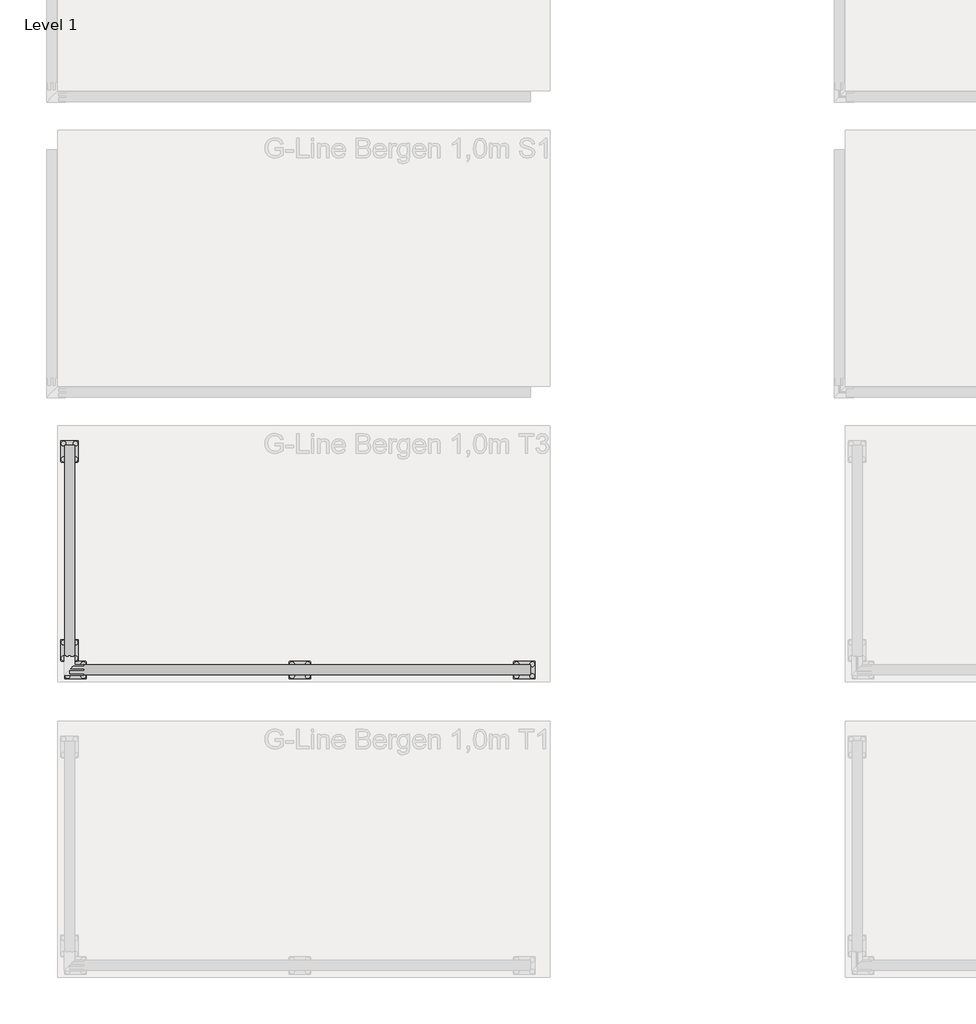
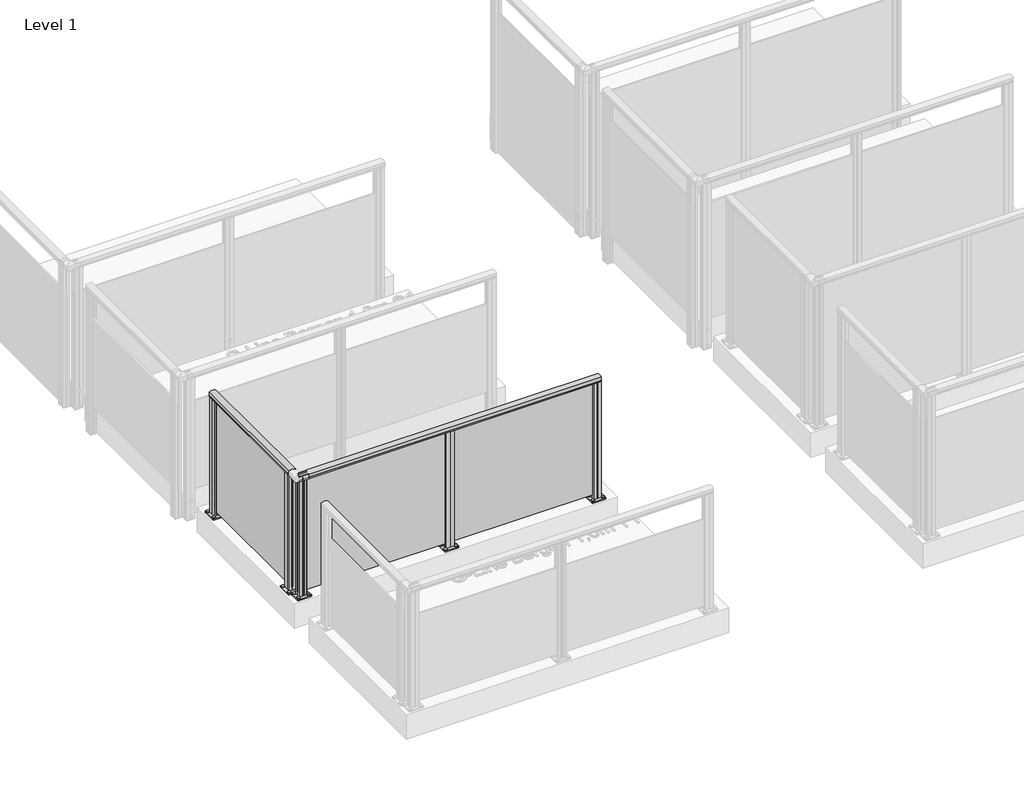
# One storey, part 2 of 14: 2 railings.
"""IFC4 building model written with IfcOpenShell, lengths in millimetres."""

from ifc_helpers import new_model, si_unit, point, frame, frame_2d, origin, origin_with_axes, place, context, project, spatial, polyline, circle_curve, trimmed, segment, composite_curve, outline, extrude, element, save

model = new_model("IFC4")

# Units and contexts
model_context = context("Model", 3, world=origin())
ifc_project = project(units=[si_unit("LENGTHUNIT", "METRE", prefix="MILLI")], contexts=[model_context])

# Site, building, storey
site = spatial("IfcSite", under=ifc_project)
building = spatial("IfcBuilding", under=site)
storey = spatial("IfcBuildingStorey", under=building, Name="Level 1", Elevation=0.0)

# Railings
placement = place(None, origin())
element("IfcRailing", 1, at=placement, inside=storey, context=model_context, shape_type="SweptSolid", body=[
    extrude(outline(composite_curve([segment(trimmed(circle_curve(frame_2d((942.6785502, -1796.9297443)), 57.3235687), [point((994.1390059, -1771.674784))], [point((994.1342258, -1822.1944423))], False, "CARTESIAN"), True, "CONTINUOUS"), segment(polyline([(994.1342258, -1822.1944423), (967.0235023, -1822.1944423), (966.4415706, -1821.6125106), (965.8194895, -1822.2345917), (957.2498847, -1822.2345917), (957.2498847, -1820.4296387), (980.4998829, -1820.4296387), (980.4998829, -1773.4345926), (957.2498847, -1773.4345926), (957.2498847, -1771.674784), (965.9694895, -1771.674784), (966.5842725, -1772.2895671), (967.1990555, -1771.674784), (994.1390059, -1771.674784)]), True, "CONTINUOUS")], self_intersect=False)), frame((0.0, -2889.2844542, 0.0), z_axis=(0.0, 1.0, 0.0), x_axis=(0.0, 0.0, 1.0)), (0.0, 0.0, 1.0), 1070.0),
    extrude(outline(polyline([(-1802.0345604, -1819.2844542), (-1793.2745604, -1819.2844542), (-1793.2745604, -2889.2844542), (-1802.0345604, -2889.2844542), (-1802.0345604, -1819.2844542)])), frame((0.0, 0.0, 40.0), z_axis=(0.0, 0.0, 1.0), x_axis=(1.0, 0.0, 0.0)), (0.0, 0.0, 1.0), 940.0),
    extrude(outline(composite_curve([segment(trimmed(circle_curve(frame_2d((-1827.6545604, -2819.2844542)), 11.9621755), [point((-1839.6167359, -2819.2844542))], [point((-1815.692385, -2819.2844542))], False, "CARTESIAN"), True, "CONTINUOUS"), segment(trimmed(circle_curve(frame_2d((-1827.6545604, -2819.2844542)), 11.9621755), [point((-1815.692385, -2819.2844542))], [point((-1839.6167359, -2819.2844542))], False, "CARTESIAN"), True, "CONTINUOUS")], self_intersect=False)), frame((0.0, 0.0, 10.0), z_axis=(0.0, 0.0, 1.0), x_axis=(1.0, 0.0, 0.0)), (0.0, 0.0, 1.0), 5.0),
    extrude(outline(composite_curve([segment(trimmed(circle_curve(frame_2d((-1767.6545604, -2819.2844542)), 11.9621755), [point((-1779.6167359, -2819.2844542))], [point((-1755.692385, -2819.2844542))], False, "CARTESIAN"), True, "CONTINUOUS"), segment(trimmed(circle_curve(frame_2d((-1767.6545604, -2819.2844542)), 11.9621755), [point((-1755.692385, -2819.2844542))], [point((-1779.6167359, -2819.2844542))], False, "CARTESIAN"), True, "CONTINUOUS")], self_intersect=False)), frame((0.0, 0.0, 10.0), z_axis=(0.0, 0.0, 1.0), x_axis=(1.0, 0.0, 0.0)), (0.0, 0.0, 1.0), 5.0),
    extrude(outline(composite_curve([segment(trimmed(circle_curve(frame_2d((-1827.6545604, -2899.2844542)), 11.9621755), [point((-1839.6167359, -2899.2844542))], [point((-1815.692385, -2899.2844542))], False, "CARTESIAN"), True, "CONTINUOUS"), segment(trimmed(circle_curve(frame_2d((-1827.6545604, -2899.2844542)), 11.9621755), [point((-1815.692385, -2899.2844542))], [point((-1839.6167359, -2899.2844542))], False, "CARTESIAN"), True, "CONTINUOUS")], self_intersect=False)), frame((0.0, 0.0, 10.0), z_axis=(0.0, 0.0, 1.0), x_axis=(1.0, 0.0, 0.0)), (0.0, 0.0, 1.0), 5.0),
    extrude(outline(composite_curve([segment(trimmed(circle_curve(frame_2d((-1767.6545604, -2899.2844542)), 11.9621755), [point((-1779.6167359, -2899.2844542))], [point((-1755.692385, -2899.2844542))], False, "CARTESIAN"), True, "CONTINUOUS"), segment(trimmed(circle_curve(frame_2d((-1767.6545604, -2899.2844542)), 11.9621755), [point((-1755.692385, -2899.2844542))], [point((-1779.6167359, -2899.2844542))], False, "CARTESIAN"), True, "CONTINUOUS")], self_intersect=False)), frame((0.0, 0.0, 10.0), z_axis=(0.0, 0.0, 1.0), x_axis=(1.0, 0.0, 0.0)), (0.0, 0.0, 1.0), 5.0),
    extrude(outline(composite_curve([segment(trimmed(circle_curve(frame_2d((-1757.6545604, -2809.2844542)), 5.0), [point((-1757.6545604, -2804.2844542))], [point((-1752.6545604, -2809.2844542))], False, "CARTESIAN"), True, "CONTINUOUS"), segment(polyline([(-1752.6545604, -2809.2844542), (-1752.6545604, -2909.2844542)]), True, "CONTINUOUS"), segment(trimmed(circle_curve(frame_2d((-1757.6545604, -2909.2844542)), 5.0), [point((-1752.6545604, -2909.2844542))], [point((-1757.6545604, -2914.2844542))], False, "CARTESIAN"), True, "CONTINUOUS"), segment(polyline([(-1757.6545604, -2914.2844542), (-1837.6545604, -2914.2844542)]), True, "CONTINUOUS"), segment(trimmed(circle_curve(frame_2d((-1837.6545604, -2909.2844542)), 5.0), [point((-1837.6545604, -2914.2844542))], [point((-1842.6545604, -2909.2844542))], False, "CARTESIAN"), True, "CONTINUOUS"), segment(polyline([(-1842.6545604, -2909.2844542), (-1842.6545604, -2809.2844542)]), True, "CONTINUOUS"), segment(trimmed(circle_curve(frame_2d((-1837.6545604, -2809.2844542)), 5.0), [point((-1842.6545604, -2809.2844542))], [point((-1837.6545604, -2804.2844542))], False, "CARTESIAN"), True, "CONTINUOUS"), segment(polyline([(-1837.6545604, -2804.2844542), (-1757.6545604, -2804.2844542)]), True, "CONTINUOUS")], self_intersect=False), holes=[composite_curve([segment(trimmed(circle_curve(frame_2d((-1767.6545604, -2819.2844542)), 6.25), [point((-1773.9045604, -2819.2844542))], [point((-1761.4045604, -2819.2844542))], True, "CARTESIAN"), True, "CONTINUOUS"), segment(trimmed(circle_curve(frame_2d((-1767.6545604, -2819.2844542)), 6.25), [point((-1761.4045604, -2819.2844542))], [point((-1773.9045604, -2819.2844542))], True, "CARTESIAN"), True, "CONTINUOUS")], self_intersect=False), composite_curve([segment(trimmed(circle_curve(frame_2d((-1827.6545604, -2819.2844542)), 6.25), [point((-1833.9045604, -2819.2844542))], [point((-1821.4045604, -2819.2844542))], True, "CARTESIAN"), True, "CONTINUOUS"), segment(trimmed(circle_curve(frame_2d((-1827.6545604, -2819.2844542)), 6.25), [point((-1821.4045604, -2819.2844542))], [point((-1833.9045604, -2819.2844542))], True, "CARTESIAN"), True, "CONTINUOUS")], self_intersect=False), composite_curve([segment(trimmed(circle_curve(frame_2d((-1827.6545604, -2899.2844542)), 6.25), [point((-1833.9045604, -2899.2844542))], [point((-1821.4045604, -2899.2844542))], True, "CARTESIAN"), True, "CONTINUOUS"), segment(trimmed(circle_curve(frame_2d((-1827.6545604, -2899.2844542)), 6.25), [point((-1821.4045604, -2899.2844542))], [point((-1833.9045604, -2899.2844542))], True, "CARTESIAN"), True, "CONTINUOUS")], self_intersect=False), composite_curve([segment(trimmed(circle_curve(frame_2d((-1767.6545604, -2899.2844542)), 6.25), [point((-1773.9045604, -2899.2844542))], [point((-1761.4045604, -2899.2844542))], True, "CARTESIAN"), True, "CONTINUOUS"), segment(trimmed(circle_curve(frame_2d((-1767.6545604, -2899.2844542)), 6.25), [point((-1761.4045604, -2899.2844542))], [point((-1773.9045604, -2899.2844542))], True, "CARTESIAN"), True, "CONTINUOUS")], self_intersect=False)]), origin_with_axes(), (0.0, 0.0, 1.0), 10.0),
    extrude(outline(polyline([(-1802.0004224, -2889.2828611), (-1820.1454222, -2889.2855333), (-1820.1496881, -2860.3185463), (-1819.1215468, -2859.2901021), (-1820.1099364, -2858.3020036), (-1820.1142096, -2829.2855281), (-1802.0092585, -2829.2828618), (-1802.0066813, -2846.7828616), (-1793.2466814, -2846.7815715), (-1793.2492586, -2829.2815717), (-1775.1542588, -2829.2789069), (-1775.1499929, -2858.2458938), (-1776.0683252, -2859.2837617), (-1775.1899031, -2860.1619251), (-1775.1856151, -2889.2789121), (-1793.2404225, -2889.281571), (-1793.2429997, -2871.7815712), (-1802.0029996, -2871.7828613), (-1802.0004224, -2889.2828611)]), holes=[polyline([(-1777.1485448, -2850.4852392), (-1818.1511363, -2850.4852392), (-1818.1511363, -2868.0792009), (-1777.1485448, -2868.0792009), (-1777.1485448, -2850.4852392)]), polyline([(-1804.0064309, -2831.2852394), (-1818.1539638, -2831.2852394), (-1818.1539638, -2848.4831561), (-1804.0064309, -2848.4831561), (-1804.0064309, -2831.2852394)]), polyline([(-1777.1485448, -2831.2812771), (-1791.2489641, -2831.2812771), (-1791.2489641, -2848.4792008), (-1777.1485448, -2848.4792008), (-1777.1485448, -2831.2812771)]), polyline([(-1804.0007169, -2870.0852389), (-1818.1482498, -2870.0852389), (-1818.1482498, -2887.2831556), (-1804.0007169, -2887.2831556), (-1804.0007169, -2870.0852389)]), polyline([(-1777.0957172, -2870.0812767), (-1791.2432501, -2870.0812767), (-1791.2432501, -2887.2791934), (-1777.0957172, -2887.2791934), (-1777.0957172, -2870.0812767)])]), frame((0.0, 0.0, 10.0), z_axis=(0.0, 0.0, 1.0), x_axis=(1.0, 0.0, 0.0)), (0.0, 0.0, 1.0), 971.0),
    extrude(outline(composite_curve([segment(trimmed(circle_curve(frame_2d((-1827.6545604, -1809.2844542)), 11.9621755), [point((-1839.6167359, -1809.2844542))], [point((-1815.692385, -1809.2844542))], False, "CARTESIAN"), True, "CONTINUOUS"), segment(trimmed(circle_curve(frame_2d((-1827.6545604, -1809.2844542)), 11.9621755), [point((-1815.692385, -1809.2844542))], [point((-1839.6167359, -1809.2844542))], False, "CARTESIAN"), True, "CONTINUOUS")], self_intersect=False)), frame((0.0, 0.0, 10.0), z_axis=(0.0, 0.0, 1.0), x_axis=(1.0, 0.0, 0.0)), (0.0, 0.0, 1.0), 5.0),
    extrude(outline(composite_curve([segment(trimmed(circle_curve(frame_2d((-1767.6545604, -1809.2844542)), 11.9621755), [point((-1779.6167359, -1809.2844542))], [point((-1755.692385, -1809.2844542))], False, "CARTESIAN"), True, "CONTINUOUS"), segment(trimmed(circle_curve(frame_2d((-1767.6545604, -1809.2844542)), 11.9621755), [point((-1755.692385, -1809.2844542))], [point((-1779.6167359, -1809.2844542))], False, "CARTESIAN"), True, "CONTINUOUS")], self_intersect=False)), frame((0.0, 0.0, 10.0), z_axis=(0.0, 0.0, 1.0), x_axis=(1.0, 0.0, 0.0)), (0.0, 0.0, 1.0), 5.0),
    extrude(outline(composite_curve([segment(trimmed(circle_curve(frame_2d((-1827.6545604, -1889.2844542)), 11.9621755), [point((-1839.6167359, -1889.2844542))], [point((-1815.692385, -1889.2844542))], False, "CARTESIAN"), True, "CONTINUOUS"), segment(trimmed(circle_curve(frame_2d((-1827.6545604, -1889.2844542)), 11.9621755), [point((-1815.692385, -1889.2844542))], [point((-1839.6167359, -1889.2844542))], False, "CARTESIAN"), True, "CONTINUOUS")], self_intersect=False)), frame((0.0, 0.0, 10.0), z_axis=(0.0, 0.0, 1.0), x_axis=(1.0, 0.0, 0.0)), (0.0, 0.0, 1.0), 5.0),
    extrude(outline(composite_curve([segment(trimmed(circle_curve(frame_2d((-1767.6545604, -1889.2844542)), 11.9621755), [point((-1779.6167359, -1889.2844542))], [point((-1755.692385, -1889.2844542))], False, "CARTESIAN"), True, "CONTINUOUS"), segment(trimmed(circle_curve(frame_2d((-1767.6545604, -1889.2844542)), 11.9621755), [point((-1755.692385, -1889.2844542))], [point((-1779.6167359, -1889.2844542))], False, "CARTESIAN"), True, "CONTINUOUS")], self_intersect=False)), frame((0.0, 0.0, 10.0), z_axis=(0.0, 0.0, 1.0), x_axis=(1.0, 0.0, 0.0)), (0.0, 0.0, 1.0), 5.0),
    extrude(outline(composite_curve([segment(trimmed(circle_curve(frame_2d((-1757.6545604, -1799.2844542)), 5.0), [point((-1757.6545604, -1794.2844542))], [point((-1752.6545604, -1799.2844542))], False, "CARTESIAN"), True, "CONTINUOUS"), segment(polyline([(-1752.6545604, -1799.2844542), (-1752.6545604, -1899.2844542)]), True, "CONTINUOUS"), segment(trimmed(circle_curve(frame_2d((-1757.6545604, -1899.2844542)), 5.0), [point((-1752.6545604, -1899.2844542))], [point((-1757.6545604, -1904.2844542))], False, "CARTESIAN"), True, "CONTINUOUS"), segment(polyline([(-1757.6545604, -1904.2844542), (-1837.6545604, -1904.2844542)]), True, "CONTINUOUS"), segment(trimmed(circle_curve(frame_2d((-1837.6545604, -1899.2844542)), 5.0), [point((-1837.6545604, -1904.2844542))], [point((-1842.6545604, -1899.2844542))], False, "CARTESIAN"), True, "CONTINUOUS"), segment(polyline([(-1842.6545604, -1899.2844542), (-1842.6545604, -1799.2844542)]), True, "CONTINUOUS"), segment(trimmed(circle_curve(frame_2d((-1837.6545604, -1799.2844542)), 5.0), [point((-1842.6545604, -1799.2844542))], [point((-1837.6545604, -1794.2844542))], False, "CARTESIAN"), True, "CONTINUOUS"), segment(polyline([(-1837.6545604, -1794.2844542), (-1757.6545604, -1794.2844542)]), True, "CONTINUOUS")], self_intersect=False), holes=[composite_curve([segment(trimmed(circle_curve(frame_2d((-1767.6545604, -1809.2844542)), 6.25), [point((-1773.9045604, -1809.2844542))], [point((-1761.4045604, -1809.2844542))], True, "CARTESIAN"), True, "CONTINUOUS"), segment(trimmed(circle_curve(frame_2d((-1767.6545604, -1809.2844542)), 6.25), [point((-1761.4045604, -1809.2844542))], [point((-1773.9045604, -1809.2844542))], True, "CARTESIAN"), True, "CONTINUOUS")], self_intersect=False), composite_curve([segment(trimmed(circle_curve(frame_2d((-1827.6545604, -1809.2844542)), 6.25), [point((-1833.9045604, -1809.2844542))], [point((-1821.4045604, -1809.2844542))], True, "CARTESIAN"), True, "CONTINUOUS"), segment(trimmed(circle_curve(frame_2d((-1827.6545604, -1809.2844542)), 6.25), [point((-1821.4045604, -1809.2844542))], [point((-1833.9045604, -1809.2844542))], True, "CARTESIAN"), True, "CONTINUOUS")], self_intersect=False), composite_curve([segment(trimmed(circle_curve(frame_2d((-1827.6545604, -1889.2844542)), 6.25), [point((-1833.9045604, -1889.2844542))], [point((-1821.4045604, -1889.2844542))], True, "CARTESIAN"), True, "CONTINUOUS"), segment(trimmed(circle_curve(frame_2d((-1827.6545604, -1889.2844542)), 6.25), [point((-1821.4045604, -1889.2844542))], [point((-1833.9045604, -1889.2844542))], True, "CARTESIAN"), True, "CONTINUOUS")], self_intersect=False), composite_curve([segment(trimmed(circle_curve(frame_2d((-1767.6545604, -1889.2844542)), 6.25), [point((-1773.9045604, -1889.2844542))], [point((-1761.4045604, -1889.2844542))], True, "CARTESIAN"), True, "CONTINUOUS"), segment(trimmed(circle_curve(frame_2d((-1767.6545604, -1889.2844542)), 6.25), [point((-1761.4045604, -1889.2844542))], [point((-1773.9045604, -1889.2844542))], True, "CARTESIAN"), True, "CONTINUOUS")], self_intersect=False)]), origin_with_axes(), (0.0, 0.0, 1.0), 10.0),
    extrude(outline(polyline([(-1802.0004224, -1879.2828611), (-1820.1454222, -1879.2855333), (-1820.1496881, -1850.3185463), (-1819.1215468, -1849.2901021), (-1820.1099364, -1848.3020036), (-1820.1142096, -1819.2855281), (-1802.0092585, -1819.2828618), (-1802.0066813, -1836.7828616), (-1793.2466814, -1836.7815715), (-1793.2492586, -1819.2815717), (-1775.1542588, -1819.2789069), (-1775.1499929, -1848.2458938), (-1776.0683252, -1849.2837617), (-1775.1899031, -1850.1619251), (-1775.1856151, -1879.2789121), (-1793.2404225, -1879.281571), (-1793.2429997, -1861.7815712), (-1802.0029996, -1861.7828613), (-1802.0004224, -1879.2828611)]), holes=[polyline([(-1777.1485448, -1840.4852392), (-1818.1511363, -1840.4852392), (-1818.1511363, -1858.0792009), (-1777.1485448, -1858.0792009), (-1777.1485448, -1840.4852392)]), polyline([(-1804.0064309, -1821.2852394), (-1818.1539638, -1821.2852394), (-1818.1539638, -1838.4831561), (-1804.0064309, -1838.4831561), (-1804.0064309, -1821.2852394)]), polyline([(-1777.1485448, -1821.2812771), (-1791.2489641, -1821.2812771), (-1791.2489641, -1838.4792008), (-1777.1485448, -1838.4792008), (-1777.1485448, -1821.2812771)]), polyline([(-1804.0007169, -1860.0852389), (-1818.1482498, -1860.0852389), (-1818.1482498, -1877.2831556), (-1804.0007169, -1877.2831556), (-1804.0007169, -1860.0852389)]), polyline([(-1777.0957172, -1860.0812767), (-1791.2432501, -1860.0812767), (-1791.2432501, -1877.2791934), (-1777.0957172, -1877.2791934), (-1777.0957172, -1860.0812767)])]), frame((0.0, 0.0, 10.0), z_axis=(0.0, 0.0, 1.0), x_axis=(1.0, 0.0, 0.0)), (0.0, 0.0, 1.0), 971.0),
])
element("IfcRailing", 2, at=placement, inside=storey, context=model_context, shape_type="SweptSolid", body=[
    extrude(outline(composite_curve([segment(polyline([(-2933.3046778, 994.1390059), (-2933.3046778, 967.1990555), (-2933.9194608, 966.5842725), (-2933.3046778, 965.9694895), (-2933.3046778, 957.2498847), (-2935.0644864, 957.2498847), (-2935.0644864, 980.4998829), (-2982.0595325, 980.4998829), (-2982.0595325, 957.2498847), (-2983.8644854, 957.2498847), (-2983.8644854, 965.8194895), (-2983.2424043, 966.4415706), (-2983.8243361, 967.0235023), (-2983.8243361, 994.1342258)]), True, "CONTINUOUS"), segment(trimmed(circle_curve(frame_2d((-2958.5596381, 942.6785502)), 57.3235687), [point((-2983.8243361, 994.1342258))], [point((-2933.3046778, 994.1390059))], False, "CARTESIAN"), True, "CONTINUOUS")], self_intersect=False)), frame((-1797.6545604, 0.0, 0.0), z_axis=(1.0, 0.0, 0.0), x_axis=(0.0, 1.0, 0.0)), (0.0, 0.0, 1.0), 2340.0),
    extrude(outline(polyline([(-1797.6545604, -2963.6644542), (-1797.6545604, -2954.9044542), (542.3454396, -2954.9044542), (542.3454396, -2963.6644542), (-1797.6545604, -2963.6644542)])), frame((0.0, 0.0, 40.0), z_axis=(0.0, 0.0, 1.0), x_axis=(1.0, 0.0, 0.0)), (0.0, 0.0, 1.0), 940.0),
    extrude(outline(composite_curve([segment(trimmed(circle_curve(frame_2d((-667.6545604, -2989.2844542)), 11.9621755), [point((-667.6545604, -3001.2466296))], [point((-667.6545604, -2977.3222787))], False, "CARTESIAN"), True, "CONTINUOUS"), segment(trimmed(circle_curve(frame_2d((-667.6545604, -2989.2844542)), 11.9621755), [point((-667.6545604, -2977.3222787))], [point((-667.6545604, -3001.2466296))], False, "CARTESIAN"), True, "CONTINUOUS")], self_intersect=False)), frame((0.0, 0.0, 10.0), z_axis=(0.0, 0.0, 1.0), x_axis=(1.0, 0.0, 0.0)), (0.0, 0.0, 1.0), 5.0),
    extrude(outline(composite_curve([segment(trimmed(circle_curve(frame_2d((-667.6545604, -2929.2844542)), 11.9621755), [point((-667.6545604, -2941.2466296))], [point((-667.6545604, -2917.3222787))], False, "CARTESIAN"), True, "CONTINUOUS"), segment(trimmed(circle_curve(frame_2d((-667.6545604, -2929.2844542)), 11.9621755), [point((-667.6545604, -2917.3222787))], [point((-667.6545604, -2941.2466296))], False, "CARTESIAN"), True, "CONTINUOUS")], self_intersect=False)), frame((0.0, 0.0, 10.0), z_axis=(0.0, 0.0, 1.0), x_axis=(1.0, 0.0, 0.0)), (0.0, 0.0, 1.0), 5.0),
    extrude(outline(composite_curve([segment(trimmed(circle_curve(frame_2d((-587.6545604, -2989.2844542)), 11.9621755), [point((-587.6545604, -3001.2466296))], [point((-587.6545604, -2977.3222787))], False, "CARTESIAN"), True, "CONTINUOUS"), segment(trimmed(circle_curve(frame_2d((-587.6545604, -2989.2844542)), 11.9621755), [point((-587.6545604, -2977.3222787))], [point((-587.6545604, -3001.2466296))], False, "CARTESIAN"), True, "CONTINUOUS")], self_intersect=False)), frame((0.0, 0.0, 10.0), z_axis=(0.0, 0.0, 1.0), x_axis=(1.0, 0.0, 0.0)), (0.0, 0.0, 1.0), 5.0),
    extrude(outline(composite_curve([segment(trimmed(circle_curve(frame_2d((-587.6545604, -2929.2844542)), 11.9621755), [point((-587.6545604, -2941.2466296))], [point((-587.6545604, -2917.3222787))], False, "CARTESIAN"), True, "CONTINUOUS"), segment(trimmed(circle_curve(frame_2d((-587.6545604, -2929.2844542)), 11.9621755), [point((-587.6545604, -2917.3222787))], [point((-587.6545604, -2941.2466296))], False, "CARTESIAN"), True, "CONTINUOUS")], self_intersect=False)), frame((0.0, 0.0, 10.0), z_axis=(0.0, 0.0, 1.0), x_axis=(1.0, 0.0, 0.0)), (0.0, 0.0, 1.0), 5.0),
    extrude(outline(composite_curve([segment(trimmed(circle_curve(frame_2d((-677.6545604, -2919.2844542)), 5.0), [point((-682.6545604, -2919.2844542))], [point((-677.6545604, -2914.2844542))], False, "CARTESIAN"), True, "CONTINUOUS"), segment(polyline([(-677.6545604, -2914.2844542), (-577.6545604, -2914.2844542)]), True, "CONTINUOUS"), segment(trimmed(circle_curve(frame_2d((-577.6545604, -2919.2844542)), 5.0), [point((-577.6545604, -2914.2844542))], [point((-572.6545604, -2919.2844542))], False, "CARTESIAN"), True, "CONTINUOUS"), segment(polyline([(-572.6545604, -2919.2844542), (-572.6545604, -2999.2844542)]), True, "CONTINUOUS"), segment(trimmed(circle_curve(frame_2d((-577.6545604, -2999.2844542)), 5.0), [point((-572.6545604, -2999.2844542))], [point((-577.6545604, -3004.2844542))], False, "CARTESIAN"), True, "CONTINUOUS"), segment(polyline([(-577.6545604, -3004.2844542), (-677.6545604, -3004.2844542)]), True, "CONTINUOUS"), segment(trimmed(circle_curve(frame_2d((-677.6545604, -2999.2844542)), 5.0), [point((-677.6545604, -3004.2844542))], [point((-682.6545604, -2999.2844542))], False, "CARTESIAN"), True, "CONTINUOUS"), segment(polyline([(-682.6545604, -2999.2844542), (-682.6545604, -2919.2844542)]), True, "CONTINUOUS")], self_intersect=False), holes=[composite_curve([segment(trimmed(circle_curve(frame_2d((-667.6545604, -2929.2844542)), 6.25), [point((-667.6545604, -2935.5344542))], [point((-667.6545604, -2923.0344542))], True, "CARTESIAN"), True, "CONTINUOUS"), segment(trimmed(circle_curve(frame_2d((-667.6545604, -2929.2844542)), 6.25), [point((-667.6545604, -2923.0344542))], [point((-667.6545604, -2935.5344542))], True, "CARTESIAN"), True, "CONTINUOUS")], self_intersect=False), composite_curve([segment(trimmed(circle_curve(frame_2d((-667.6545604, -2989.2844542)), 6.25), [point((-667.6545604, -2995.5344542))], [point((-667.6545604, -2983.0344542))], True, "CARTESIAN"), True, "CONTINUOUS"), segment(trimmed(circle_curve(frame_2d((-667.6545604, -2989.2844542)), 6.25), [point((-667.6545604, -2983.0344542))], [point((-667.6545604, -2995.5344542))], True, "CARTESIAN"), True, "CONTINUOUS")], self_intersect=False), composite_curve([segment(trimmed(circle_curve(frame_2d((-587.6545604, -2989.2844542)), 6.25), [point((-587.6545604, -2995.5344542))], [point((-587.6545604, -2983.0344542))], True, "CARTESIAN"), True, "CONTINUOUS"), segment(trimmed(circle_curve(frame_2d((-587.6545604, -2989.2844542)), 6.25), [point((-587.6545604, -2983.0344542))], [point((-587.6545604, -2995.5344542))], True, "CARTESIAN"), True, "CONTINUOUS")], self_intersect=False), composite_curve([segment(trimmed(circle_curve(frame_2d((-587.6545604, -2929.2844542)), 6.25), [point((-587.6545604, -2935.5344542))], [point((-587.6545604, -2923.0344542))], True, "CARTESIAN"), True, "CONTINUOUS"), segment(trimmed(circle_curve(frame_2d((-587.6545604, -2929.2844542)), 6.25), [point((-587.6545604, -2923.0344542))], [point((-587.6545604, -2935.5344542))], True, "CARTESIAN"), True, "CONTINUOUS")], self_intersect=False)]), origin_with_axes(), (0.0, 0.0, 1.0), 10.0),
    extrude(outline(polyline([(-597.6561535, -2963.6303161), (-597.6534813, -2981.775316), (-626.6204683, -2981.7795819), (-627.6489125, -2980.7514406), (-628.637011, -2981.7398302), (-657.6534865, -2981.7441034), (-657.6561528, -2963.6391523), (-640.156153, -2963.6365751), (-640.1574431, -2954.8765752), (-657.6574429, -2954.8791524), (-657.6601078, -2936.7841526), (-628.6931208, -2936.7798866), (-627.6552529, -2937.698219), (-626.7770895, -2936.8197969), (-597.6601025, -2936.8155088), (-597.6574436, -2954.8703162), (-615.1574434, -2954.8728934), (-615.1561533, -2963.6328934), (-597.6561535, -2963.6303161)]), holes=[polyline([(-636.4537754, -2938.7784385), (-636.4537754, -2979.78103), (-618.8598137, -2979.78103), (-618.8598137, -2938.7784385), (-636.4537754, -2938.7784385)]), polyline([(-655.6537752, -2965.6363247), (-655.6537752, -2979.7838576), (-638.4558585, -2979.7838576), (-638.4558585, -2965.6363247), (-655.6537752, -2965.6363247)]), polyline([(-655.6577375, -2938.7784385), (-655.6577375, -2952.8788579), (-638.4598138, -2952.8788579), (-638.4598138, -2938.7784385), (-655.6577375, -2938.7784385)]), polyline([(-616.8537757, -2965.6306107), (-616.8537757, -2979.7781435), (-599.655859, -2979.7781435), (-599.655859, -2965.6306107), (-616.8537757, -2965.6306107)]), polyline([(-616.8577379, -2938.725611), (-616.8577379, -2952.8731438), (-599.6598212, -2952.8731438), (-599.6598212, -2938.725611), (-616.8577379, -2938.725611)])]), frame((0.0, 0.0, 10.0), z_axis=(0.0, 0.0, 1.0), x_axis=(1.0, 0.0, 0.0)), (0.0, 0.0, 1.0), 971.0),
    extrude(outline(composite_curve([segment(trimmed(circle_curve(frame_2d((472.3454396, -2989.2844542)), 11.9621755), [point((472.3454396, -3001.2466296))], [point((472.3454396, -2977.3222787))], False, "CARTESIAN"), True, "CONTINUOUS"), segment(trimmed(circle_curve(frame_2d((472.3454396, -2989.2844542)), 11.9621755), [point((472.3454396, -2977.3222787))], [point((472.3454396, -3001.2466296))], False, "CARTESIAN"), True, "CONTINUOUS")], self_intersect=False)), frame((0.0, 0.0, 10.0), z_axis=(0.0, 0.0, 1.0), x_axis=(1.0, 0.0, 0.0)), (0.0, 0.0, 1.0), 5.0),
    extrude(outline(composite_curve([segment(trimmed(circle_curve(frame_2d((472.3454396, -2929.2844542)), 11.9621755), [point((472.3454396, -2941.2466296))], [point((472.3454396, -2917.3222787))], False, "CARTESIAN"), True, "CONTINUOUS"), segment(trimmed(circle_curve(frame_2d((472.3454396, -2929.2844542)), 11.9621755), [point((472.3454396, -2917.3222787))], [point((472.3454396, -2941.2466296))], False, "CARTESIAN"), True, "CONTINUOUS")], self_intersect=False)), frame((0.0, 0.0, 10.0), z_axis=(0.0, 0.0, 1.0), x_axis=(1.0, 0.0, 0.0)), (0.0, 0.0, 1.0), 5.0),
    extrude(outline(composite_curve([segment(trimmed(circle_curve(frame_2d((552.3454396, -2989.2844542)), 11.9621755), [point((552.3454396, -3001.2466296))], [point((552.3454396, -2977.3222787))], False, "CARTESIAN"), True, "CONTINUOUS"), segment(trimmed(circle_curve(frame_2d((552.3454396, -2989.2844542)), 11.9621755), [point((552.3454396, -2977.3222787))], [point((552.3454396, -3001.2466296))], False, "CARTESIAN"), True, "CONTINUOUS")], self_intersect=False)), frame((0.0, 0.0, 10.0), z_axis=(0.0, 0.0, 1.0), x_axis=(1.0, 0.0, 0.0)), (0.0, 0.0, 1.0), 5.0),
    extrude(outline(composite_curve([segment(trimmed(circle_curve(frame_2d((552.3454396, -2929.2844542)), 11.9621755), [point((552.3454396, -2941.2466296))], [point((552.3454396, -2917.3222787))], False, "CARTESIAN"), True, "CONTINUOUS"), segment(trimmed(circle_curve(frame_2d((552.3454396, -2929.2844542)), 11.9621755), [point((552.3454396, -2917.3222787))], [point((552.3454396, -2941.2466296))], False, "CARTESIAN"), True, "CONTINUOUS")], self_intersect=False)), frame((0.0, 0.0, 10.0), z_axis=(0.0, 0.0, 1.0), x_axis=(1.0, 0.0, 0.0)), (0.0, 0.0, 1.0), 5.0),
    extrude(outline(composite_curve([segment(trimmed(circle_curve(frame_2d((462.3454396, -2919.2844542)), 5.0), [point((457.3454396, -2919.2844542))], [point((462.3454396, -2914.2844542))], False, "CARTESIAN"), True, "CONTINUOUS"), segment(polyline([(462.3454396, -2914.2844542), (562.3454396, -2914.2844542)]), True, "CONTINUOUS"), segment(trimmed(circle_curve(frame_2d((562.3454396, -2919.2844542)), 5.0), [point((562.3454396, -2914.2844542))], [point((567.3454396, -2919.2844542))], False, "CARTESIAN"), True, "CONTINUOUS"), segment(polyline([(567.3454396, -2919.2844542), (567.3454396, -2999.2844542)]), True, "CONTINUOUS"), segment(trimmed(circle_curve(frame_2d((562.3454396, -2999.2844542)), 5.0), [point((567.3454396, -2999.2844542))], [point((562.3454396, -3004.2844542))], False, "CARTESIAN"), True, "CONTINUOUS"), segment(polyline([(562.3454396, -3004.2844542), (462.3454396, -3004.2844542)]), True, "CONTINUOUS"), segment(trimmed(circle_curve(frame_2d((462.3454396, -2999.2844542)), 5.0), [point((462.3454396, -3004.2844542))], [point((457.3454396, -2999.2844542))], False, "CARTESIAN"), True, "CONTINUOUS"), segment(polyline([(457.3454396, -2999.2844542), (457.3454396, -2919.2844542)]), True, "CONTINUOUS")], self_intersect=False), holes=[composite_curve([segment(trimmed(circle_curve(frame_2d((472.3454396, -2929.2844542)), 6.25), [point((472.3454396, -2935.5344542))], [point((472.3454396, -2923.0344542))], True, "CARTESIAN"), True, "CONTINUOUS"), segment(trimmed(circle_curve(frame_2d((472.3454396, -2929.2844542)), 6.25), [point((472.3454396, -2923.0344542))], [point((472.3454396, -2935.5344542))], True, "CARTESIAN"), True, "CONTINUOUS")], self_intersect=False), composite_curve([segment(trimmed(circle_curve(frame_2d((472.3454396, -2989.2844542)), 6.25), [point((472.3454396, -2995.5344542))], [point((472.3454396, -2983.0344542))], True, "CARTESIAN"), True, "CONTINUOUS"), segment(trimmed(circle_curve(frame_2d((472.3454396, -2989.2844542)), 6.25), [point((472.3454396, -2983.0344542))], [point((472.3454396, -2995.5344542))], True, "CARTESIAN"), True, "CONTINUOUS")], self_intersect=False), composite_curve([segment(trimmed(circle_curve(frame_2d((552.3454396, -2989.2844542)), 6.25), [point((552.3454396, -2995.5344542))], [point((552.3454396, -2983.0344542))], True, "CARTESIAN"), True, "CONTINUOUS"), segment(trimmed(circle_curve(frame_2d((552.3454396, -2989.2844542)), 6.25), [point((552.3454396, -2983.0344542))], [point((552.3454396, -2995.5344542))], True, "CARTESIAN"), True, "CONTINUOUS")], self_intersect=False), composite_curve([segment(trimmed(circle_curve(frame_2d((552.3454396, -2929.2844542)), 6.25), [point((552.3454396, -2935.5344542))], [point((552.3454396, -2923.0344542))], True, "CARTESIAN"), True, "CONTINUOUS"), segment(trimmed(circle_curve(frame_2d((552.3454396, -2929.2844542)), 6.25), [point((552.3454396, -2923.0344542))], [point((552.3454396, -2935.5344542))], True, "CARTESIAN"), True, "CONTINUOUS")], self_intersect=False)]), origin_with_axes(), (0.0, 0.0, 1.0), 10.0),
    extrude(outline(polyline([(542.3438465, -2963.6303161), (542.3465187, -2981.775316), (513.3795317, -2981.7795819), (512.3510875, -2980.7514406), (511.362989, -2981.7398302), (482.3465135, -2981.7441034), (482.3438472, -2963.6391523), (499.843847, -2963.6365751), (499.8425569, -2954.8765752), (482.3425571, -2954.8791524), (482.3398922, -2936.7841526), (511.3068792, -2936.7798866), (512.3447471, -2937.698219), (513.2229105, -2936.8197969), (542.3398975, -2936.8155088), (542.3425564, -2954.8703162), (524.8425566, -2954.8728935), (524.8438467, -2963.6328934), (542.3438465, -2963.6303161)]), holes=[polyline([(503.5462246, -2938.7784385), (503.5462246, -2979.78103), (521.1401863, -2979.78103), (521.1401863, -2938.7784385), (503.5462246, -2938.7784385)]), polyline([(484.3462248, -2965.6363247), (484.3462248, -2979.7838576), (501.5441415, -2979.7838576), (501.5441415, -2965.6363247), (484.3462248, -2965.6363247)]), polyline([(484.3422625, -2938.7784385), (484.3422625, -2952.8788579), (501.5401862, -2952.8788579), (501.5401862, -2938.7784385), (484.3422625, -2938.7784385)]), polyline([(523.1462243, -2965.6306107), (523.1462243, -2979.7781435), (540.344141, -2979.7781435), (540.344141, -2965.6306107), (523.1462243, -2965.6306107)]), polyline([(523.1422621, -2938.725611), (523.1422621, -2952.8731438), (540.3401788, -2952.8731438), (540.3401788, -2938.725611), (523.1422621, -2938.725611)])]), frame((0.0, 0.0, 10.0), z_axis=(0.0, 0.0, 1.0), x_axis=(1.0, 0.0, 0.0)), (0.0, 0.0, 1.0), 971.0),
    extrude(outline(composite_curve([segment(trimmed(circle_curve(frame_2d((-1807.6545604, -2989.2844542)), 11.9621755), [point((-1807.6545604, -3001.2466296))], [point((-1807.6545604, -2977.3222787))], False, "CARTESIAN"), True, "CONTINUOUS"), segment(trimmed(circle_curve(frame_2d((-1807.6545604, -2989.2844542)), 11.9621755), [point((-1807.6545604, -2977.3222787))], [point((-1807.6545604, -3001.2466296))], False, "CARTESIAN"), True, "CONTINUOUS")], self_intersect=False)), frame((0.0, 0.0, 10.0), z_axis=(0.0, 0.0, 1.0), x_axis=(1.0, 0.0, 0.0)), (0.0, 0.0, 1.0), 5.0),
    extrude(outline(composite_curve([segment(trimmed(circle_curve(frame_2d((-1807.6545604, -2929.2844542)), 11.9621755), [point((-1807.6545604, -2941.2466296))], [point((-1807.6545604, -2917.3222787))], False, "CARTESIAN"), True, "CONTINUOUS"), segment(trimmed(circle_curve(frame_2d((-1807.6545604, -2929.2844542)), 11.9621755), [point((-1807.6545604, -2917.3222787))], [point((-1807.6545604, -2941.2466296))], False, "CARTESIAN"), True, "CONTINUOUS")], self_intersect=False)), frame((0.0, 0.0, 10.0), z_axis=(0.0, 0.0, 1.0), x_axis=(1.0, 0.0, 0.0)), (0.0, 0.0, 1.0), 5.0),
    extrude(outline(composite_curve([segment(trimmed(circle_curve(frame_2d((-1727.6545604, -2989.2844542)), 11.9621755), [point((-1727.6545604, -3001.2466296))], [point((-1727.6545604, -2977.3222787))], False, "CARTESIAN"), True, "CONTINUOUS"), segment(trimmed(circle_curve(frame_2d((-1727.6545604, -2989.2844542)), 11.9621755), [point((-1727.6545604, -2977.3222787))], [point((-1727.6545604, -3001.2466296))], False, "CARTESIAN"), True, "CONTINUOUS")], self_intersect=False)), frame((0.0, 0.0, 10.0), z_axis=(0.0, 0.0, 1.0), x_axis=(1.0, 0.0, 0.0)), (0.0, 0.0, 1.0), 5.0),
    extrude(outline(composite_curve([segment(trimmed(circle_curve(frame_2d((-1727.6545604, -2929.2844542)), 11.9621755), [point((-1727.6545604, -2941.2466296))], [point((-1727.6545604, -2917.3222787))], False, "CARTESIAN"), True, "CONTINUOUS"), segment(trimmed(circle_curve(frame_2d((-1727.6545604, -2929.2844542)), 11.9621755), [point((-1727.6545604, -2917.3222787))], [point((-1727.6545604, -2941.2466296))], False, "CARTESIAN"), True, "CONTINUOUS")], self_intersect=False)), frame((0.0, 0.0, 10.0), z_axis=(0.0, 0.0, 1.0), x_axis=(1.0, 0.0, 0.0)), (0.0, 0.0, 1.0), 5.0),
    extrude(outline(composite_curve([segment(trimmed(circle_curve(frame_2d((-1817.6545604, -2919.2844542)), 5.0), [point((-1822.6545604, -2919.2844542))], [point((-1817.6545604, -2914.2844542))], False, "CARTESIAN"), True, "CONTINUOUS"), segment(polyline([(-1817.6545604, -2914.2844542), (-1717.6545604, -2914.2844542)]), True, "CONTINUOUS"), segment(trimmed(circle_curve(frame_2d((-1717.6545604, -2919.2844542)), 5.0), [point((-1717.6545604, -2914.2844542))], [point((-1712.6545604, -2919.2844542))], False, "CARTESIAN"), True, "CONTINUOUS"), segment(polyline([(-1712.6545604, -2919.2844542), (-1712.6545604, -2999.2844542)]), True, "CONTINUOUS"), segment(trimmed(circle_curve(frame_2d((-1717.6545604, -2999.2844542)), 5.0), [point((-1712.6545604, -2999.2844542))], [point((-1717.6545604, -3004.2844542))], False, "CARTESIAN"), True, "CONTINUOUS"), segment(polyline([(-1717.6545604, -3004.2844542), (-1817.6545604, -3004.2844542)]), True, "CONTINUOUS"), segment(trimmed(circle_curve(frame_2d((-1817.6545604, -2999.2844542)), 5.0), [point((-1817.6545604, -3004.2844542))], [point((-1822.6545604, -2999.2844542))], False, "CARTESIAN"), True, "CONTINUOUS"), segment(polyline([(-1822.6545604, -2999.2844542), (-1822.6545604, -2919.2844542)]), True, "CONTINUOUS")], self_intersect=False), holes=[composite_curve([segment(trimmed(circle_curve(frame_2d((-1807.6545604, -2929.2844542)), 6.25), [point((-1807.6545604, -2935.5344542))], [point((-1807.6545604, -2923.0344542))], True, "CARTESIAN"), True, "CONTINUOUS"), segment(trimmed(circle_curve(frame_2d((-1807.6545604, -2929.2844542)), 6.25), [point((-1807.6545604, -2923.0344542))], [point((-1807.6545604, -2935.5344542))], True, "CARTESIAN"), True, "CONTINUOUS")], self_intersect=False), composite_curve([segment(trimmed(circle_curve(frame_2d((-1807.6545604, -2989.2844542)), 6.25), [point((-1807.6545604, -2995.5344542))], [point((-1807.6545604, -2983.0344542))], True, "CARTESIAN"), True, "CONTINUOUS"), segment(trimmed(circle_curve(frame_2d((-1807.6545604, -2989.2844542)), 6.25), [point((-1807.6545604, -2983.0344542))], [point((-1807.6545604, -2995.5344542))], True, "CARTESIAN"), True, "CONTINUOUS")], self_intersect=False), composite_curve([segment(trimmed(circle_curve(frame_2d((-1727.6545604, -2989.2844542)), 6.25), [point((-1727.6545604, -2995.5344542))], [point((-1727.6545604, -2983.0344542))], True, "CARTESIAN"), True, "CONTINUOUS"), segment(trimmed(circle_curve(frame_2d((-1727.6545604, -2989.2844542)), 6.25), [point((-1727.6545604, -2983.0344542))], [point((-1727.6545604, -2995.5344542))], True, "CARTESIAN"), True, "CONTINUOUS")], self_intersect=False), composite_curve([segment(trimmed(circle_curve(frame_2d((-1727.6545604, -2929.2844542)), 6.25), [point((-1727.6545604, -2935.5344542))], [point((-1727.6545604, -2923.0344542))], True, "CARTESIAN"), True, "CONTINUOUS"), segment(trimmed(circle_curve(frame_2d((-1727.6545604, -2929.2844542)), 6.25), [point((-1727.6545604, -2923.0344542))], [point((-1727.6545604, -2935.5344542))], True, "CARTESIAN"), True, "CONTINUOUS")], self_intersect=False)]), origin_with_axes(), (0.0, 0.0, 1.0), 10.0),
    extrude(outline(polyline([(-1737.6561535, -2963.6303161), (-1737.6534813, -2981.7753159), (-1766.6204683, -2981.7795819), (-1767.6489125, -2980.7514406), (-1768.637011, -2981.7398302), (-1797.6534865, -2981.7441034), (-1797.6561528, -2963.6391523), (-1780.156153, -2963.6365751), (-1780.1574431, -2954.8765752), (-1797.6574429, -2954.8791524), (-1797.6601078, -2936.7841526), (-1768.6931208, -2936.7798866), (-1767.6552529, -2937.698219), (-1766.7770895, -2936.8197968), (-1737.6601025, -2936.8155088), (-1737.6574436, -2954.8703162), (-1755.1574434, -2954.8728934), (-1755.1561533, -2963.6328934), (-1737.6561535, -2963.6303161)]), holes=[polyline([(-1776.4537754, -2938.7784385), (-1776.4537754, -2979.78103), (-1758.8598137, -2979.78103), (-1758.8598137, -2938.7784385), (-1776.4537754, -2938.7784385)]), polyline([(-1795.6537752, -2965.6363247), (-1795.6537752, -2979.7838576), (-1778.4558585, -2979.7838576), (-1778.4558585, -2965.6363247), (-1795.6537752, -2965.6363247)]), polyline([(-1795.6577375, -2938.7784385), (-1795.6577375, -2952.8788579), (-1778.4598138, -2952.8788579), (-1778.4598138, -2938.7784385), (-1795.6577375, -2938.7784385)]), polyline([(-1756.8537757, -2965.6306107), (-1756.8537757, -2979.7781435), (-1739.655859, -2979.7781435), (-1739.655859, -2965.6306107), (-1756.8537757, -2965.6306107)]), polyline([(-1756.8577379, -2938.725611), (-1756.8577379, -2952.8731438), (-1739.6598212, -2952.8731438), (-1739.6598212, -2938.725611), (-1756.8577379, -2938.725611)])]), frame((0.0, 0.0, 10.0), z_axis=(0.0, 0.0, 1.0), x_axis=(1.0, 0.0, 0.0)), (0.0, 0.0, 1.0), 971.0),
])

save(model, "model.ifc")
